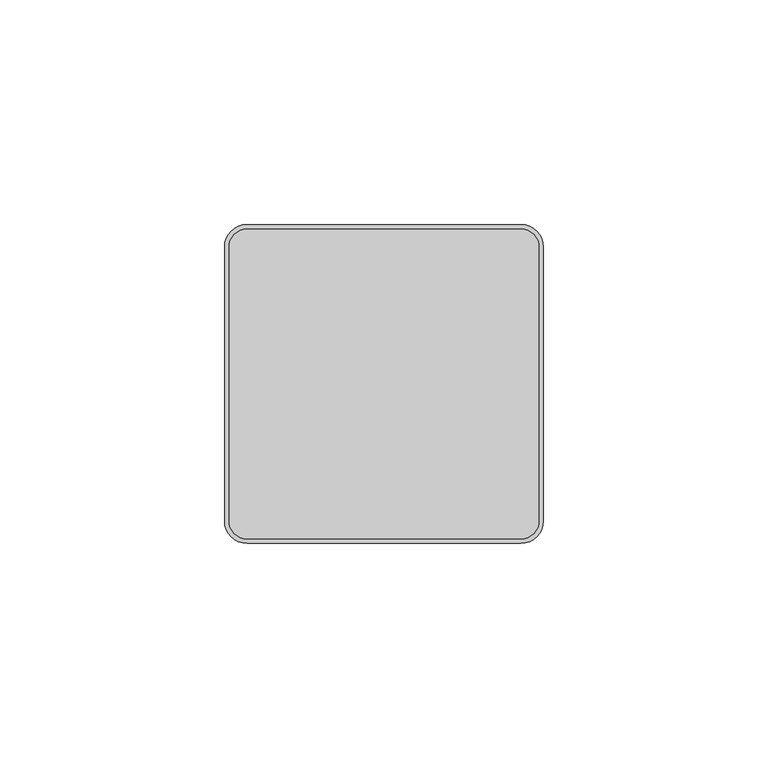
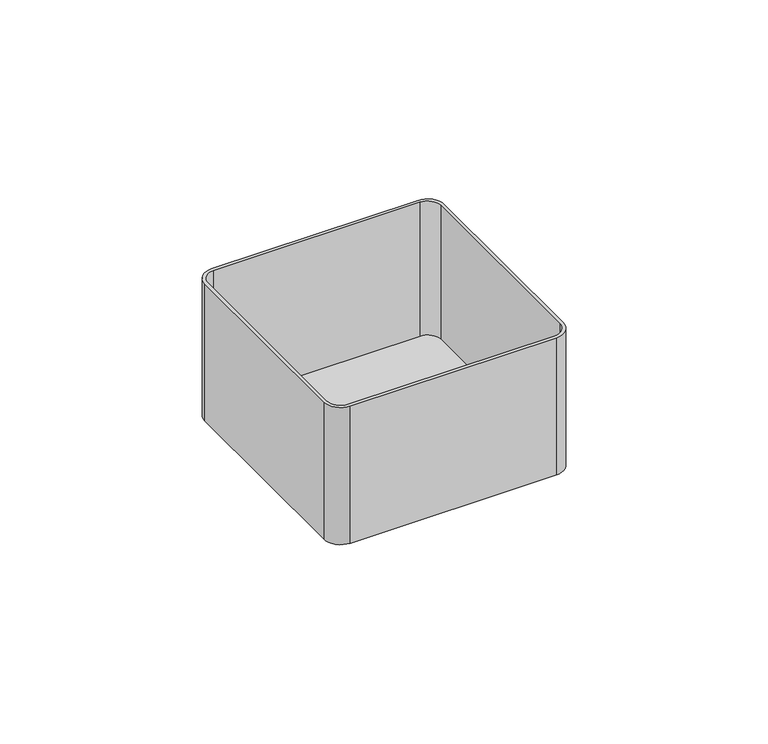
"""IFC4 building model written with IfcOpenShell, lengths in millimetres: proxy geometry."""

from ifc_helpers import new_model, si_unit, point, frame, frame_2d, origin, place, context, project, spatial, polyline, circle_curve, trimmed, segment, composite_curve, outline, extrude, source, transform, mapped, element, save


def electrical_fixtures_0e3d2430(model_context):
    return source(origin(), model_context, "Body", "SweptSolid", [
        extrude(outline(composite_curve([segment(polyline([(-30.5, 34.5), (30.5, 34.5)]), True, "CONTINUOUS"), segment(trimmed(circle_curve(frame_2d((30.5, 30.5)), 4.0), [point((30.5, 34.5))], [point((34.5, 30.5))], False, "CARTESIAN"), True, "CONTINUOUS"), segment(polyline([(34.5, 30.5), (34.5, -30.5)]), True, "CONTINUOUS"), segment(trimmed(circle_curve(frame_2d((30.5, -30.5)), 4.0), [point((34.5, -30.5))], [point((30.5, -34.5))], False, "CARTESIAN"), True, "CONTINUOUS"), segment(polyline([(30.5, -34.5), (-30.5, -34.5)]), True, "CONTINUOUS"), segment(trimmed(circle_curve(frame_2d((-30.5, -30.5)), 4.0), [point((-30.5, -34.5))], [point((-34.5, -30.5))], False, "CARTESIAN"), True, "CONTINUOUS"), segment(polyline([(-34.5, -30.5), (-34.5, 30.5)]), True, "CONTINUOUS"), segment(trimmed(circle_curve(frame_2d((-30.5, 30.5)), 4.0), [point((-34.5, 30.5))], [point((-30.5, 34.5))], False, "CARTESIAN"), True, "CONTINUOUS")], self_intersect=False)), frame((0.0, 0.0, -43.0), z_axis=(0.0, 0.0, 1.0), x_axis=(1.0, 0.0, 0.0)), (0.0, 0.0, 1.0), 1.0),
        extrude(outline(composite_curve([segment(polyline([(-35.5, -30.5), (-35.5, 30.5)]), True, "CONTINUOUS"), segment(trimmed(circle_curve(frame_2d((-30.5, 30.5)), 5.0), [point((-35.5, 30.5))], [point((-30.5, 35.5))], False, "CARTESIAN"), True, "CONTINUOUS"), segment(polyline([(-30.5, 35.5), (30.5, 35.5)]), True, "CONTINUOUS"), segment(trimmed(circle_curve(frame_2d((30.5, 30.5)), 5.0), [point((30.5, 35.5))], [point((35.5, 30.5))], False, "CARTESIAN"), True, "CONTINUOUS"), segment(polyline([(35.5, 30.5), (35.5, -30.5)]), True, "CONTINUOUS"), segment(trimmed(circle_curve(frame_2d((30.5, -30.5)), 5.0), [point((35.5, -30.5))], [point((30.5, -35.5))], False, "CARTESIAN"), True, "CONTINUOUS"), segment(polyline([(30.5, -35.5), (-30.5, -35.5)]), True, "CONTINUOUS"), segment(trimmed(circle_curve(frame_2d((-30.5, -30.5)), 5.0), [point((-30.5, -35.5))], [point((-35.5, -30.5))], False, "CARTESIAN"), True, "CONTINUOUS")], self_intersect=False), holes=[composite_curve([segment(trimmed(circle_curve(frame_2d((-30.5, -30.5)), 4.0), [point((-34.5, -30.5))], [point((-30.5, -34.5))], True, "CARTESIAN"), True, "CONTINUOUS"), segment(polyline([(-30.5, -34.5), (30.5, -34.5)]), True, "CONTINUOUS"), segment(trimmed(circle_curve(frame_2d((30.5, -30.5)), 4.0), [point((30.5, -34.5))], [point((34.5, -30.5))], True, "CARTESIAN"), True, "CONTINUOUS"), segment(polyline([(34.5, -30.5), (34.5, 30.5)]), True, "CONTINUOUS"), segment(trimmed(circle_curve(frame_2d((30.5, 30.5)), 4.0), [point((34.5, 30.5))], [point((30.5, 34.5))], True, "CARTESIAN"), True, "CONTINUOUS"), segment(polyline([(30.5, 34.5), (-30.5, 34.5)]), True, "CONTINUOUS"), segment(trimmed(circle_curve(frame_2d((-30.5, 30.5)), 4.0), [point((-30.5, 34.5))], [point((-34.5, 30.5))], True, "CARTESIAN"), True, "CONTINUOUS"), segment(polyline([(-34.5, 30.5), (-34.5, -30.5)]), True, "CONTINUOUS")], self_intersect=False)]), frame((0.0, 0.0, -43.0), z_axis=(0.0, 0.0, 1.0), x_axis=(1.0, 0.0, 0.0)), (0.0, 0.0, 1.0), 43.0),
    ])


if __name__ == "__main__":
    model = new_model("IFC4")
    model_context = context("Model", 3, world=origin())
    ifc_project = project(units=[si_unit("LENGTHUNIT", "METRE", prefix="MILLI")], contexts=[model_context])
    site = spatial("IfcSite", under=ifc_project)
    building = spatial("IfcBuilding", under=site)
    placement = place(None, origin())
    electrical_fixtures_shape = electrical_fixtures_0e3d2430(model_context)
    element("IfcBuildingElementProxy", 1, Name="Electrical Fixtures", at=placement, inside=building, context=model_context, shape_type="MappedRepresentation", body=[
        mapped(electrical_fixtures_shape, transform((0.0, 0.0, 0.0), x_axis=(1.0, 0.0, 0.0), y_axis=(0.0, 1.0, 0.0), z_axis=(0.0, 0.0, 1.0))),
    ])
    save(model, "model.ifc")
